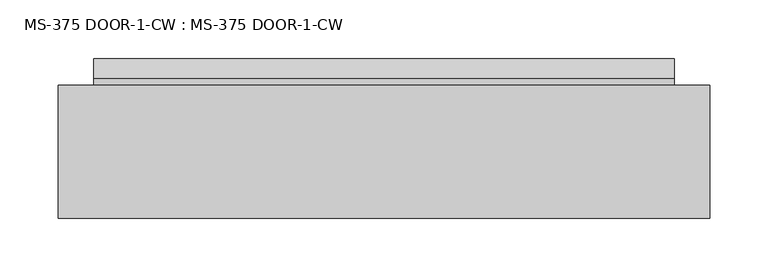
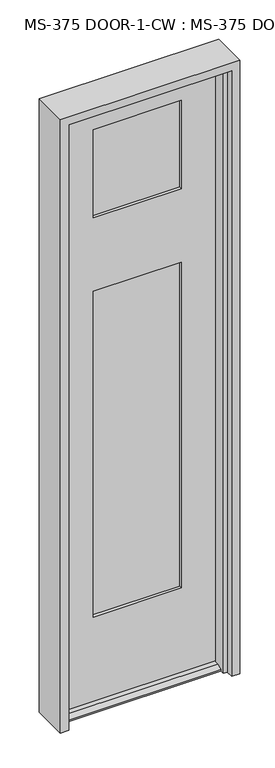
"""IFC4 building model written with IfcOpenShell, lengths in millimetres: plate geometry, MS-375 DOOR-1-CW : MS-375 DOOR-1-CW."""

from ifc_helpers import new_model, si_unit, frame, origin, place, context, project, spatial, polyline, outline, extrude, faceted_brep, source, transform, mapped, element, save


def ms_375_door_1_cw_ms_375_door_1_cw_09cdcebf(model_context):
    return source(origin(), model_context, "Body", "SolidModel", [
        faceted_brep([(248.8692, -70.7085632, 12.7), (248.8692, -87.3583086, 12.7), (248.8692, -104.046154, 4.9183299), (248.8692, -104.046154, 0.0003044), (248.8692, -70.7085632, 0.0003044), (248.8692, -2.4460632, 0.0003044), (248.8692, -2.4460632, 4.9183299), (248.8692, -19.1339086, 12.7), (248.8692, -26.2585632, 12.7), (248.8692, -26.2585632, 0.0003044), (-248.85015, -26.2585632, 12.7), (-248.85015, -19.1339086, 12.7), (-248.85015, -2.4460632, 4.9183299), (-248.85015, -2.4460632, 0.0003044), (-248.85015, -26.2585632, 0.0003044), (-248.85015, -104.046154, 0.0003044), (-248.85015, -104.046154, 4.9183299), (-248.85015, -87.3583086, 12.7), (-248.85015, -70.7085632, 12.7), (-248.85015, -70.7085632, 0.0003044), (144.48155, -61.1835632, 283.36875), (144.48155, -35.7835632, 283.36875), (-144.4625, -35.7835632, 283.36875), (-144.4625, -61.1835632, 283.36875), (137.3378, -70.7085632, 290.5125), (137.3378, -61.1835632, 290.5125), (-137.31875, -61.1835632, 290.5125), (-137.31875, -70.7085632, 290.5125), (137.3378, -35.7835632, 290.5125), (137.3378, -26.2585632, 290.5125), (-137.31875, -26.2585632, 290.5125), (-137.31875, -35.7835632, 290.5125), (144.48155, -61.1835632, 1370.0125), (-144.4625, -61.1835632, 1370.0125), (-144.4625, -35.7835632, 1370.0125), (144.48155, -35.7835632, 1370.0125), (-137.31875, -26.2585632, 1362.86875), (137.3378, -26.2585632, 1362.86875), (137.3378, -35.7835632, 1362.86875), (-137.31875, -35.7835632, 1362.86875), (137.3378, -26.2585632, 1604.16875), (-137.31875, -26.2585632, 1604.16875), (-137.31875, -35.7835632, 1604.16875), (137.3378, -35.7835632, 1604.16875), (-144.4625, -61.1835632, 1597.025), (144.48155, -61.1835632, 1597.025), (144.48155, -35.7835632, 1597.025), (-144.4625, -35.7835632, 1597.025), (137.3378, -61.1835632, 1604.16875), (-137.31875, -61.1835632, 1604.16875), (-137.31875, -70.7085632, 1604.16875), (137.3378, -70.7085632, 1604.16875), (-137.31875, -61.1835632, 1362.86875), (137.3378, -61.1835632, 1362.86875), (137.3378, -70.7085632, 1362.86875), (-137.31875, -70.7085632, 1362.86875), (248.8692, -70.7085632, 1990.725), (251.6378, -26.2585632, 1990.725), (-251.61875, -26.2585632, 1990.725), (-248.85015, -70.7085632, 1990.725), (137.3378, -26.2585632, 1894.68125), (137.3378, -35.7835632, 1894.68125), (-137.31875, -35.7835632, 1894.68125), (-137.31875, -26.2585632, 1894.68125), (144.48155, -35.7835632, 1901.825), (144.48155, -61.1835632, 1901.825), (-144.4625, -61.1835632, 1901.825), (-144.4625, -35.7835632, 1901.825), (137.3378, -70.7085632, 1894.68125), (137.3378, -61.1835632, 1894.68125), (-137.31875, -70.7085632, 1894.68125), (-137.31875, -61.1835632, 1894.68125), (-251.61875, -26.2585632, 0.0003044), (251.6378, -26.2585632, 0.0003044)], [[[0, 1, 2, 3, 4]], [[5, 6, 7, 8, 9]], [[10, 11, 12, 13, 14]], [[15, 16, 17, 18, 19]], [[20, 21, 22, 23]], [[24, 25, 26, 27]], [[1, 0, 18, 17]], [[7, 6, 12, 11]], [[28, 29, 30, 31]], [[32, 33, 34, 35]], [[36, 37, 38, 39]], [[40, 41, 42, 43]], [[44, 45, 46, 47]], [[48, 49, 50, 51]], [[52, 53, 54, 55]], [[56, 57, 58, 59]], [[60, 61, 62, 63]], [[64, 65, 66, 67]], [[29, 28, 38, 37]], [[61, 60, 40, 43]], [[45, 65, 64, 46]], [[35, 21, 20, 32]], [[25, 24, 54, 53]], [[68, 69, 48, 51]], [[69, 68, 70, 71]], [[66, 65, 45, 44], [69, 71, 49, 48]], [[20, 23, 33, 32], [26, 25, 53, 52]], [[56, 59, 18, 0], [70, 68, 51, 50], [27, 55, 54, 24]], [[2, 1, 17, 16]], [[3, 2, 16, 15]], [[3, 15, 19, 72, 14, 13, 5, 9, 73, 4]], [[6, 5, 13, 12]], [[8, 7, 11, 10]], [[57, 73, 9, 8, 10, 14, 72, 58], [30, 29, 37, 36], [63, 41, 40, 60]], [[22, 21, 35, 34], [28, 31, 39, 38]], [[64, 67, 47, 46], [62, 61, 43, 42]], [[18, 59, 58, 72, 19]], [[27, 26, 52, 55]], [[71, 70, 50, 49]], [[33, 23, 22, 34]], [[47, 67, 66, 44]], [[31, 30, 36, 39]], [[63, 62, 42, 41]], [[57, 56, 0, 4, 73]]]),
        extrude(outline(polyline([(-144.4625, -42.0827632), (-144.4625, -35.7835632), (144.48155, -35.7835632), (144.48155, -42.0827632), (-144.4625, -42.0827632)])), frame((0.0, 0.0, 283.36875), z_axis=(0.0, 0.0, 1.0), x_axis=(1.0, 0.0, 0.0)), (0.0, 0.0, 1.0), 1086.64375),
        extrude(outline(polyline([(-144.4625, -61.1835632), (-144.4625, -54.8843632), (144.48155, -54.8843632), (144.48155, -61.1835632), (-144.4625, -61.1835632)])), frame((0.0, 0.0, 283.36875), z_axis=(0.0, 0.0, 1.0), x_axis=(1.0, 0.0, 0.0)), (0.0, 0.0, 1.0), 1086.64375),
        extrude(outline(polyline([(144.48155, -61.1835632), (-144.4625, -61.1835632), (-144.4625, -54.8843632), (144.48155, -54.8843632), (144.48155, -61.1835632)])), frame((0.0, 0.0, 1597.025), z_axis=(0.0, 0.0, 1.0), x_axis=(1.0, 0.0, 0.0)), (0.0, 0.0, 1.0), 304.8),
        extrude(outline(polyline([(-144.4625, -35.7835632), (144.48155, -35.7835632), (144.48155, -42.0827632), (-144.4625, -42.0827632), (-144.4625, -35.7835632)])), frame((0.0, 0.0, 1597.025), z_axis=(0.0, 0.0, 1.0), x_axis=(1.0, 0.0, 0.0)), (0.0, 0.0, 1.0), 304.8),
        faceted_brep([(-279.4, -139.7, 2019.3), (-279.4, -25.4, 2019.3), (-279.4, -25.4, 0.0), (-279.4, -139.7, 0.0), (279.4, -25.4, 2019.3), (279.4, -139.7, 2019.3), (279.4, -139.7, 0.0), (279.4, -25.4, 0.0), (241.3, -116.713, 0.0), (254.0, -116.713, 0.0), (254.0, -116.713, 1993.9), (-254.0, -116.713, 1993.9), (-254.0, -116.713, 0.0), (-241.3, -116.713, 0.0), (-241.3, -116.713, 1981.2), (241.3, -116.713, 1981.2), (254.0, -139.7, 1993.9), (-254.0, -139.7, 1993.9), (-254.0, -139.7, 0.0), (254.0, -139.7, 0.0), (254.0, -25.4, 0.0), (254.0, -25.4, 1993.9), (-254.0, -25.4, 1993.9), (-254.0, -25.4, 0.0), (254.0, -75.438, 1993.9), (-254.0, -75.438, 1993.9), (254.0, -75.438, 0.0), (241.3, -75.438, 0.0), (241.3, -75.438, 1981.2), (-241.3, -75.438, 1981.2), (-241.3, -75.438, 0.0), (-254.0, -75.438, 0.0)], [[[0, 1, 2, 3]], [[4, 5, 6, 7]], [[8, 9, 10, 11, 12, 13, 14, 15]], [[11, 10, 16, 17]], [[0, 3, 18, 17, 16, 19, 6, 5]], [[4, 1, 0, 5]], [[2, 1, 4, 7, 20, 21, 22, 23]], [[21, 24, 25, 22]], [[26, 27, 28, 29, 30, 31, 25, 24]], [[28, 15, 14, 29]], [[27, 26, 20, 7, 6, 19, 9, 8]], [[20, 26, 24, 21]], [[9, 19, 16, 10]], [[27, 8, 15, 28]], [[30, 13, 12, 18, 3, 2, 23, 31]], [[13, 30, 29, 14]], [[18, 12, 11, 17]], [[25, 31, 23, 22]]]),
    ])


if __name__ == "__main__":
    model = new_model("IFC4")
    model_context = context("Model", 3, world=origin())
    ifc_project = project(units=[si_unit("LENGTHUNIT", "METRE", prefix="MILLI")], contexts=[model_context])
    site = spatial("IfcSite", under=ifc_project)
    building = spatial("IfcBuilding", under=site)
    placement = place(None, origin())
    ms_375_door_1_cw_ms_375_door_1_cw_shape = ms_375_door_1_cw_ms_375_door_1_cw_09cdcebf(model_context)
    element("IfcPlate", 1, ObjectType="MS-375 DOOR-1-CW : MS-375 DOOR-1-CW", at=placement, inside=building, context=model_context, shape_type="MappedRepresentation", body=[
        mapped(ms_375_door_1_cw_ms_375_door_1_cw_shape, transform((0.0, 0.0, 0.0), x_axis=(1.0, 0.0, 0.0), y_axis=(0.0, 1.0, 0.0), z_axis=(0.0, 0.0, 1.0))),
    ])
    save(model, "model.ifc")
